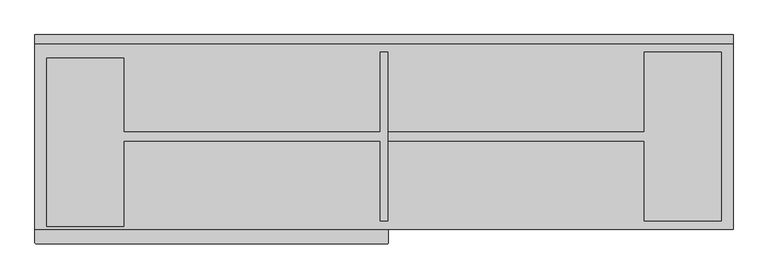
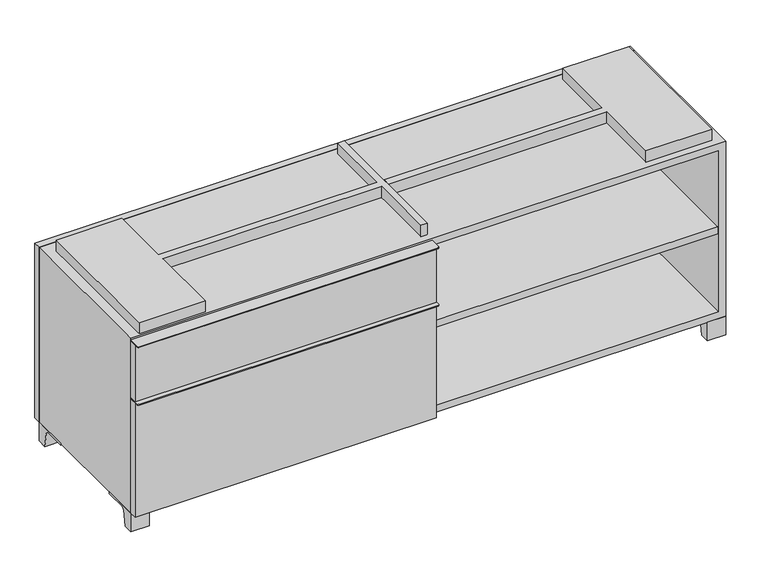
"""IFC4 building model written with IfcOpenShell, lengths in millimetres: furniture geometry."""

from ifc_helpers import new_model, si_unit, point, frame, frame_2d, origin, place, context, project, spatial, polyline, circle_curve, trimmed, segment, composite_curve, outline, extrude, source, transform, mapped, element, save


def furniture_91dcd08f(model_context):
    return source(origin(), model_context, "Body", "SweptSolid", [
        extrude(outline(polyline([(-9.5111094, 234.95), (-9.5111094, -136.525), (-742.9361094, -136.525), (-742.9361094, 234.95), (-9.5111094, 234.95)])), frame((0.0, 0.0, 354.0125), z_axis=(0.0, 0.0, 1.0), x_axis=(1.0, 0.0, 0.0)), (0.0, 0.0, 1.0), 19.05),
        extrude(outline(composite_curve([segment(polyline([(9.5388906, -139.7), (9.5388906, -168.275)]), True, "CONTINUOUS"), segment(trimmed(circle_curve(frame_2d((6.3638906, -168.275)), 3.175), [point((9.5388906, -168.275))], [point((6.3638906, -171.45))], False, "CARTESIAN"), True, "CONTINUOUS"), segment(polyline([(6.3638906, -171.45), (-758.8111094, -171.45)]), True, "CONTINUOUS"), segment(trimmed(circle_curve(frame_2d((-758.8111094, -168.275)), 3.175), [point((-758.8111094, -171.45))], [point((-761.9861094, -168.275))], False, "CARTESIAN"), True, "CONTINUOUS"), segment(polyline([(-761.9861094, -168.275), (-761.9861094, -139.7), (9.5388906, -139.7)]), True, "CONTINUOUS")], self_intersect=False)), frame((0.0, 0.0, 517.525), z_axis=(0.0, 0.0, 1.0), x_axis=(1.0, 0.0, 0.0)), (0.0, 0.0, 1.0), 2.38125),
        extrude(outline(polyline([(9.5388906, -139.7), (9.5388906, -158.75), (-761.9861094, -158.75), (-761.9861094, -139.7), (9.5388906, -139.7)])), frame((0.0, 0.0, 363.5375), z_axis=(0.0, 0.0, 1.0), x_axis=(1.0, 0.0, 0.0)), (0.0, 0.0, 1.0), 153.9875),
        extrude(outline(composite_curve([segment(polyline([(9.5388906, -139.7), (9.5388906, -168.275)]), True, "CONTINUOUS"), segment(trimmed(circle_curve(frame_2d((6.3638906, -168.275)), 3.175), [point((9.5388906, -168.275))], [point((6.3638906, -171.45))], False, "CARTESIAN"), True, "CONTINUOUS"), segment(polyline([(6.3638906, -171.45), (-758.8111094, -171.45)]), True, "CONTINUOUS"), segment(trimmed(circle_curve(frame_2d((-758.8111094, -168.275)), 3.175), [point((-758.8111094, -171.45))], [point((-761.9861094, -168.275))], False, "CARTESIAN"), True, "CONTINUOUS"), segment(polyline([(-761.9861094, -168.275), (-761.9861094, -139.7), (9.5388906, -139.7)]), True, "CONTINUOUS")], self_intersect=False)), frame((0.0, 0.0, 361.15625), z_axis=(0.0, 0.0, 1.0), x_axis=(1.0, 0.0, 0.0)), (0.0, 0.0, 1.0), 2.38125),
        extrude(outline(polyline([(9.5388906, -139.7), (9.5388906, -158.75), (-761.9861094, -158.75), (-761.9861094, -139.7), (9.5388906, -139.7)])), frame((0.0, 0.0, 50.8), z_axis=(0.0, 0.0, 1.0), x_axis=(1.0, 0.0, 0.0)), (0.0, 0.0, 1.0), 310.35625),
        extrude(outline(polyline([(742.9569453, 234.95), (742.9569453, -136.525), (9.5319453, -136.525), (9.5319453, 234.95), (742.9569453, 234.95)])), frame((0.0, 0.0, 277.8125), z_axis=(0.0, 0.0, 1.0), x_axis=(1.0, 0.0, 0.0)), (0.0, 0.0, 1.0), 19.05),
        extrude(outline(composite_curve([segment(polyline([(53.9749864, 0.0), (28.575, 0.0), (28.575, 50.8), (123.825, 50.8), (123.825, 46.0213321), (67.0244655, 46.0213321)]), True, "CONTINUOUS"), segment(trimmed(circle_curve(frame_2d((67.0244655, 39.6713321)), 6.35), [point((67.0244655, 46.0213321))], [point((60.7608641, 40.7152656))], True, "CARTESIAN"), True, "CONTINUOUS"), segment(polyline([(60.7608641, 40.7152656), (53.9749864, 0.0)]), True, "CONTINUOUS")], self_intersect=False)), frame((-23.7986094, 0.0, 0.0), z_axis=(1.0, 0.0, 0.0), x_axis=(0.0, 1.0, 0.0)), (0.0, 0.0, 1.0), 47.625),
        extrude(outline(composite_curve([segment(polyline([(-114.3000136, 0.0), (-139.7, 0.0), (-139.7, 50.8), (-44.45, 50.8), (-44.45, 46.0213321), (-101.2505345, 46.0213321)]), True, "CONTINUOUS"), segment(trimmed(circle_curve(frame_2d((-101.2505345, 39.6713321)), 6.35), [point((-101.2505345, 46.0213321))], [point((-107.5141359, 40.7152656))], True, "CARTESIAN"), True, "CONTINUOUS"), segment(polyline([(-107.5141359, 40.7152656), (-114.3000136, 0.0)]), True, "CONTINUOUS")], self_intersect=False)), frame((714.3888906, 0.0, 0.0), z_axis=(1.0, 0.0, 0.0), x_axis=(0.0, 1.0, 0.0)), (0.0, 0.0, 1.0), 47.625),
        extrude(outline(composite_curve([segment(polyline([(241.3000136, 0.0), (234.5141359, 40.7152656)]), True, "CONTINUOUS"), segment(trimmed(circle_curve(frame_2d((228.2505345, 39.6713321)), 6.35), [point((234.5141359, 40.7152656))], [point((228.2505345, 46.0213321))], True, "CARTESIAN"), True, "CONTINUOUS"), segment(polyline([(228.2505345, 46.0213321), (171.45, 46.0213321), (171.45, 50.8), (266.7, 50.8), (266.7, 0.0), (241.3000136, 0.0)]), True, "CONTINUOUS")], self_intersect=False)), frame((714.3888906, 0.0, 0.0), z_axis=(1.0, 0.0, 0.0), x_axis=(0.0, 1.0, 0.0)), (0.0, 0.0, 1.0), 47.625),
        extrude(outline(composite_curve([segment(polyline([(-114.3000136, 0.0), (-139.7, 0.0), (-139.7, 50.8), (-44.45, 50.8), (-44.45, 46.0213321), (-101.2505345, 46.0213321)]), True, "CONTINUOUS"), segment(trimmed(circle_curve(frame_2d((-101.2505345, 39.6713321)), 6.35), [point((-101.2505345, 46.0213321))], [point((-107.5141359, 40.7152656))], True, "CARTESIAN"), True, "CONTINUOUS"), segment(polyline([(-107.5141359, 40.7152656), (-114.3000136, 0.0)]), True, "CONTINUOUS")], self_intersect=False)), frame((-761.9861094, 0.0, 0.0), z_axis=(1.0, 0.0, 0.0), x_axis=(0.0, 1.0, 0.0)), (0.0, 0.0, 1.0), 47.625),
        extrude(outline(composite_curve([segment(polyline([(241.3000136, 0.0), (234.5141359, 40.7152656)]), True, "CONTINUOUS"), segment(trimmed(circle_curve(frame_2d((228.2505345, 39.6713321)), 6.35), [point((234.5141359, 40.7152656))], [point((228.2505345, 46.0213321))], True, "CARTESIAN"), True, "CONTINUOUS"), segment(polyline([(228.2505345, 46.0213321), (171.45, 46.0213321), (171.45, 50.8), (266.7, 50.8), (266.7, 0.0), (241.3000136, 0.0)]), True, "CONTINUOUS")], self_intersect=False)), frame((-761.9861094, 0.0, 0.0), z_axis=(1.0, 0.0, 0.0), x_axis=(0.0, 1.0, 0.0)), (0.0, 0.0, 1.0), 47.625),
        extrude(outline(polyline([(-736.5791641, -133.35), (-736.5791641, 234.95), (-568.3041641, 234.95), (-568.3041641, 73.025), (-7.9236094, 73.025), (-7.9236094, 247.65), (7.9513906, 247.65), (7.9513906, -120.65), (-7.9236094, -120.65), (-7.9236094, 53.975), (-568.3041641, 53.975), (-568.3041641, -133.35), (-736.5791641, -133.35)])), frame((0.0, 0.0, 523.875), z_axis=(0.0, 0.0, 1.0), x_axis=(1.0, 0.0, 0.0)), (0.0, 0.0, 1.0), 30.1625),
        extrude(outline(polyline([(9.5388906, 73.025), (568.3111094, 73.025), (568.3111094, 247.65), (736.5861094, 247.65), (736.5861094, -120.65), (568.3111094, -120.65), (568.3111094, 53.975), (9.5388906, 53.975), (9.5388906, 73.025)])), frame((0.0, 0.0, 523.875), z_axis=(0.0, 0.0, 1.0), x_axis=(1.0, 0.0, 0.0)), (0.0, 0.0, 1.0), 30.1625),
        extrude(outline(polyline([(9.5388906, 234.95), (9.5388906, -139.7), (-9.5111094, -139.7), (-9.5111094, 234.95), (9.5388906, 234.95)])), frame((0.0, 0.0, 69.85), z_axis=(0.0, 0.0, 1.0), x_axis=(1.0, 0.0, 0.0)), (0.0, 0.0, 1.0), 434.975),
        extrude(outline(polyline([(762.0138906, 266.7), (-761.9861094, 266.7), (-761.9861094, 285.75), (762.0138906, 285.75), (762.0138906, 266.7)])), frame((0.0, 0.0, 50.8), z_axis=(0.0, 0.0, 1.0), x_axis=(1.0, 0.0, 0.0)), (0.0, 0.0, 1.0), 473.075),
        extrude(outline(polyline([(50.8, -761.9861094), (50.8, 762.0), (523.875, 762.0), (523.875, -761.9861094), (50.8, -761.9861094)]), holes=[polyline([(69.85, -742.9361094), (504.825, -742.9361094), (504.825, 742.9361094), (69.85, 742.9361094), (69.85, -742.9361094)])]), frame((0.0, -139.7, 0.0), z_axis=(0.0, 1.0, 0.0), x_axis=(0.0, 0.0, 1.0)), (0.0, 0.0, 1.0), 406.4),
        extrude(outline(polyline([(-742.9291641, 234.95), (-742.9291641, 241.3), (742.9569453, 241.3), (742.9569453, 234.95), (-742.9291641, 234.95)])), frame((0.0, 0.0, 69.85), z_axis=(0.0, 0.0, 1.0), x_axis=(1.0, 0.0, 0.0)), (0.0, 0.0, 1.0), 434.975),
    ])


if __name__ == "__main__":
    model = new_model("IFC4")
    model_context = context("Model", 3, world=origin())
    ifc_project = project(units=[si_unit("LENGTHUNIT", "METRE", prefix="MILLI")], contexts=[model_context])
    site = spatial("IfcSite", under=ifc_project)
    building = spatial("IfcBuilding", under=site)
    placement = place(None, origin())
    furniture_shape = furniture_91dcd08f(model_context)
    element("IfcFurniture", 1, at=placement, inside=building, context=model_context, shape_type="MappedRepresentation", body=[
        mapped(furniture_shape, transform((0.0, 0.0, 0.0), x_axis=(1.0, 0.0, 0.0), y_axis=(0.0, 1.0, 0.0), z_axis=(0.0, 0.0, 1.0))),
    ])
    save(model, "model.ifc")
